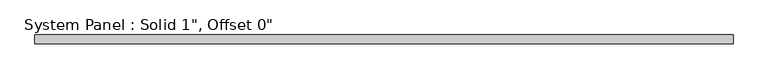
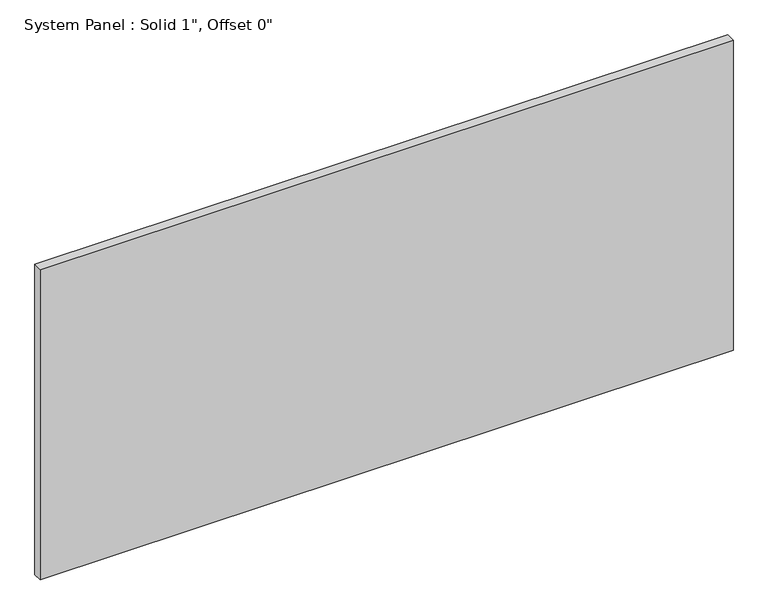
"""IFC4 building model written with IfcOpenShell, lengths in millimetres: plate geometry."""

from ifc_helpers import new_model, si_unit, origin, origin_with_axes, place, context, project, spatial, polyline, outline, extrude, source, transform, mapped, element, save


def plate_d27fb756(model_context):
    return source(origin(), model_context, "Body", "SweptSolid", [
        extrude(outline(polyline([(990.6, -12.7), (-990.6, -12.7), (-990.6, 12.7), (990.6, 12.7), (990.6, -12.7)])), origin_with_axes(), (0.0, 0.0, 1.0), 937.2995022),
    ])


if __name__ == "__main__":
    model = new_model("IFC4")
    model_context = context("Model", 3, world=origin())
    ifc_project = project(units=[si_unit("LENGTHUNIT", "METRE", prefix="MILLI")], contexts=[model_context])
    site = spatial("IfcSite", under=ifc_project)
    building = spatial("IfcBuilding", under=site)
    placement = place(None, origin())
    plate_shape = plate_d27fb756(model_context)
    element("IfcPlate", 1, ObjectType="System Panel : Solid 1\", Offset 0\"", at=placement, inside=building, context=model_context, shape_type="MappedRepresentation", body=[
        mapped(plate_shape, transform((0.0, 0.0, 0.0), x_axis=(1.0, 0.0, 0.0), y_axis=(0.0, 1.0, 0.0), z_axis=(0.0, 0.0, 1.0))),
    ])
    save(model, "model.ifc")
